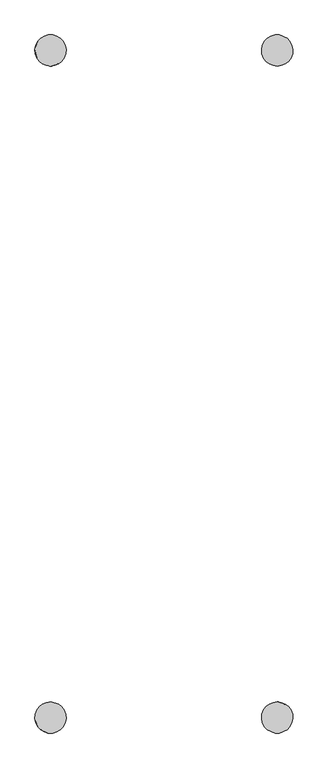
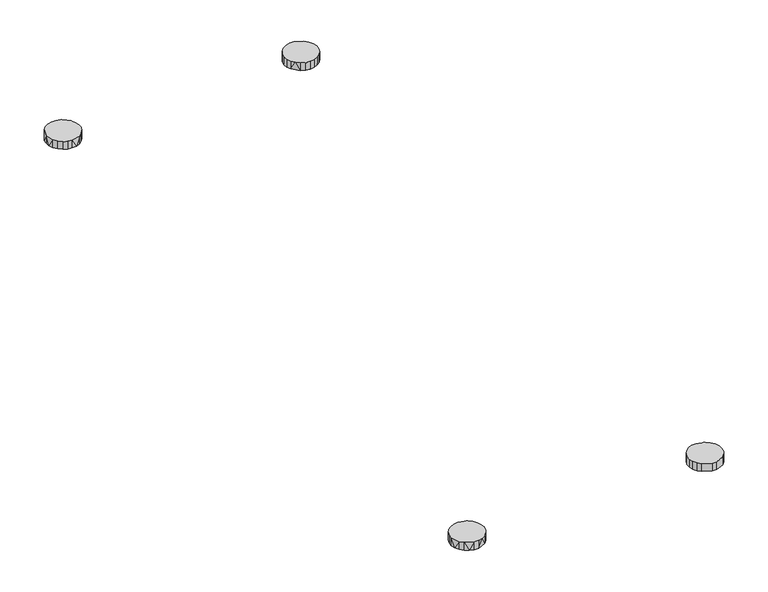
"""IFC4 building model written with IfcOpenShell, lengths in millimetres: furniture geometry."""

from ifc_helpers import new_model, si_unit, origin, place, context, project, spatial, triangles, source, transform, mapped, element, save


def furniture_6c303fa9(model_context):
    return source(origin(), model_context, "Body", "Tessellation", [
        triangles([(206.7022814, 530.2468131, 0.0), (161.5977126, 530.2468131, 0.0), (209.0187279, 536.7646929, 0.0), (159.281266, 536.7646929, 12.7000004), (209.0187279, 536.7646929, 12.7000004), (209.4907921, 543.6657978, 12.7000004), (200.1796236, 561.6355222, 12.7000004), (187.6086249, 567.095872, 12.7000004), (208.0834289, 550.4384222, 0.0), (159.281266, 536.7646929, 0.0), (204.9010287, 556.5801258, 0.0), (180.6913691, 567.095872, 0.0), (168.1203704, 561.6355222, 0.0), (177.297154, 517.4743732, 12.7000004), (177.297154, 517.4743732, 0.0), (184.1500061, 516.5324613, 12.7000004), (158.80922, 543.6657978, 0.0), (163.3989653, 556.5801258, 12.7000004), (160.216565, 550.4384222, 0.0), (160.216565, 550.4384222, 12.7000004), (187.6086249, 567.095872, 0.0), (174.0306201, 565.2296342, 12.7000004), (191.0028399, 517.4743732, 12.7000004), (184.1500061, 516.5324613, 0.0), (191.0028399, 517.4743732, 0.0), (161.5977126, 530.2468131, 12.7000004), (204.9010287, 556.5801258, 12.7000004), (170.9525558, 520.2302007, 0.0), (165.5867678, 524.5956319, 12.7000004), (202.7132262, 524.5956319, 12.7000004), (202.7132262, 524.5956319, 0.0), (206.7022814, 530.2468131, 12.7000004), (168.1203704, 561.6355222, 12.7000004), (200.1796236, 561.6355222, 0.0), (170.9525558, 520.2302007, 12.7000004), (197.3474381, 520.2302007, 0.0), (197.3474381, 520.2302007, 12.7000004), (158.80922, 543.6657978, 12.7000004), (208.0834289, 550.4384222, 12.7000004), (209.4907921, 543.6657978, 0.0), (180.6913691, 567.095872, 12.7000004), (-165.5867496, 524.5956319, 0.0), (-202.7132988, 524.5956319, 0.0), (-206.7022995, 530.2468131, 0.0), (-206.7022995, 530.2468131, 12.7000004), (-165.5867496, 524.5956319, 12.7000004), (-161.5976944, 530.2468131, 12.7000004), (-194.2694465, 565.2296342, 12.7000004), (-159.281266, 536.7646929, 12.7000004), (-187.6086612, 567.095872, 12.7000004), (-158.8092018, 543.6657978, 0.0), (-180.6913872, 567.095872, 0.0), (-174.0306019, 565.2296342, 0.0), (-209.4907921, 543.6657978, 12.7000004), (-204.901065, 556.5801258, 12.7000004), (-200.1796417, 561.6355222, 0.0), (-194.2694465, 565.2296342, 0.0), (-160.2165832, 550.4384222, 12.7000004), (-163.3989471, 556.5801258, 0.0), (-202.7132988, 524.5956319, 12.7000004), (-197.3474563, 520.2302007, 12.7000004), (-170.9525558, 520.2302007, 0.0), (-208.0834289, 550.4384222, 0.0), (-200.1796417, 561.6355222, 12.7000004), (-187.6086612, 567.095872, 0.0), (-180.6913872, 567.095872, 12.7000004), (-163.3989471, 556.5801258, 12.7000004), (-191.0028218, 517.4743732, 12.7000004), (-197.3474563, 520.2302007, 0.0), (-191.0028218, 517.4743732, 0.0), (-170.9525558, 520.2302007, 12.7000004), (-184.1500061, 516.5324613, 12.7000004), (-177.2972267, 517.4743732, 0.0), (-204.901065, 556.5801258, 0.0), (-174.0306019, 565.2296342, 12.7000004), (-209.0187279, 536.7646929, 0.0), (-168.1203522, 561.6355222, 0.0), (-168.1203522, 561.6355222, 12.7000004), (-161.5976944, 530.2468131, 0.0), (-184.1500061, 516.5324613, 0.0), (-158.8092018, 543.6657978, 12.7000004), (-209.4907921, 543.6657978, 0.0), (208.0834289, -550.4383859, 0.0), (204.9010287, -556.5802711, 0.0), (159.281266, -536.7647292, 0.0), (206.7022814, -530.2468858, 12.7000004), (165.5867678, -524.5957046, 12.7000004), (161.5977126, -530.2468858, 12.7000004), (187.6086249, -567.0959084, 12.7000004), (200.1796236, -561.6356675, 0.0), (200.1796236, -561.6356675, 12.7000004), (180.6913691, -567.0959084, 0.0), (168.1203704, -561.6356675, 0.0), (165.5867678, -524.5957046, 0.0), (202.7132262, -524.5957046, 0.0), (206.7022814, -530.2468858, 0.0), (159.281266, -536.7647292, 12.7000004), (168.1203704, -561.6356675, 12.7000004), (209.4907921, -543.6658341, 12.7000004), (208.0834289, -550.4383859, 12.7000004), (202.7132262, -524.5957046, 12.7000004), (170.9525558, -520.2302733, 0.0), (197.3474381, -520.2302733, 12.7000004), (191.0028399, -517.4744096, 0.0), (184.1500061, -516.5324249, 12.7000004), (160.216565, -550.4383859, 12.7000004), (160.216565, -550.4383859, 0.0), (163.3989653, -556.5802711, 12.7000004), (158.80922, -543.6658341, 0.0), (180.6913691, -567.0959084, 12.7000004), (187.6086249, -567.0959084, 0.0), (197.3474381, -520.2302733, 0.0), (177.297154, -517.4744096, 12.7000004), (177.297154, -517.4744096, 0.0), (170.9525558, -520.2302733, 12.7000004), (158.80922, -543.6658341, 12.7000004), (161.5977126, -530.2468858, 0.0), (209.0187279, -536.7647292, 0.0), (209.0187279, -536.7647292, 12.7000004), (209.4907921, -543.6658341, 0.0), (184.1500061, -516.5324249, 0.0), (163.3989653, -556.5802711, 0.0), (204.9010287, -556.5802711, 12.7000004), (-206.7022995, -530.2468858, 0.0), (-165.5867496, -524.5957046, 0.0), (-161.5976944, -530.2468858, 0.0), (-209.4907921, -543.6658341, 12.7000004), (-204.901065, -556.5802711, 12.7000004), (-159.281266, -536.7647292, 12.7000004), (-174.0306019, -565.2296342, 12.7000004), (-168.1203522, -561.6356675, 12.7000004), (-200.1796417, -561.6356675, 12.7000004), (-200.1796417, -561.6356675, 0.0), (-194.2694465, -565.2296342, 0.0), (-191.0028218, -517.4744096, 12.7000004), (-191.0028218, -517.4744096, 0.0), (-197.3474563, -520.2302733, 12.7000004), (-208.0834289, -550.4383859, 0.0), (-170.9525558, -520.2302733, 12.7000004), (-202.7132988, -524.5957046, 12.7000004), (-165.5867496, -524.5957046, 12.7000004), (-159.281266, -536.7647292, 0.0), (-168.1203522, -561.6356675, 0.0), (-184.1500061, -516.5324249, 0.0), (-209.4907921, -543.6658341, 0.0), (-160.2165832, -550.4383859, 12.7000004), (-160.2165832, -550.4383859, 0.0), (-158.8092018, -543.6658341, 12.7000004), (-163.3989471, -556.5802711, 0.0), (-206.7022995, -530.2468858, 12.7000004), (-202.7132988, -524.5957046, 0.0), (-209.0187279, -536.7647292, 12.7000004), (-161.5976944, -530.2468858, 12.7000004), (-180.6913872, -567.0959084, 0.0), (-187.6086612, -567.0959084, 12.7000004), (-197.3474563, -520.2302733, 0.0), (-170.9525558, -520.2302733, 0.0), (-158.8092018, -543.6658341, 0.0), (-184.1500061, -516.5324249, 12.7000004), (-163.3989471, -556.5802711, 12.7000004), (-204.901065, -556.5802711, 0.0), (-209.0187279, -536.7647292, 0.0), (-187.6086612, -567.0959084, 0.0), (-180.6913872, -567.0959084, 12.7000004)], [[1, 2, 3], [4, 5, 6], [7, 8, 4], [9, 10, 11], [12, 10, 13], [14, 15, 16], [4, 17, 10], [18, 19, 20], [7, 21, 8], [22, 12, 13], [5, 1, 3], [23, 24, 25], [26, 5, 4], [4, 10, 26], [5, 3, 6], [27, 9, 11], [1, 28, 2], [29, 2, 28], [30, 31, 32], [29, 30, 32], [22, 33, 4], [22, 13, 33], [27, 11, 7], [4, 27, 7], [34, 10, 21], [7, 34, 21], [18, 13, 19], [13, 10, 19], [35, 30, 29], [29, 28, 35], [30, 36, 31], [36, 28, 31], [36, 15, 28], [14, 28, 15], [23, 25, 37], [14, 23, 37], [20, 19, 38], [4, 18, 20], [39, 40, 9], [40, 10, 9], [8, 21, 41], [4, 8, 41], [4, 6, 39], [6, 40, 39], [21, 10, 12], [41, 21, 12], [19, 10, 17], [38, 19, 17], [24, 15, 25], [16, 15, 24], [16, 24, 23], [16, 23, 14], [35, 28, 14], [14, 37, 35], [37, 25, 36], [25, 15, 36], [32, 1, 5], [26, 32, 5], [11, 10, 34], [7, 11, 34], [6, 3, 40], [3, 10, 40], [37, 36, 30], [35, 37, 30], [32, 31, 1], [31, 28, 1], [39, 9, 27], [39, 27, 4], [3, 2, 10], [26, 10, 2], [38, 17, 4], [20, 38, 4], [4, 41, 22], [41, 12, 22], [26, 2, 29], [29, 32, 26], [33, 13, 18], [4, 33, 18], [42, 43, 44], [45, 46, 47], [48, 49, 50], [51, 52, 53], [54, 49, 55], [51, 56, 57], [58, 51, 59], [46, 42, 47], [60, 43, 61], [46, 62, 42], [60, 44, 43], [55, 63, 54], [64, 57, 56], [50, 65, 48], [66, 53, 52], [58, 59, 67], [62, 43, 42], [68, 69, 70], [61, 71, 60], [72, 73, 71], [63, 74, 51], [55, 74, 63], [66, 49, 75], [75, 53, 66], [45, 47, 54], [54, 76, 45], [64, 56, 55], [55, 49, 64], [51, 77, 59], [78, 59, 77], [79, 76, 51], [49, 79, 51], [73, 70, 69], [72, 80, 73], [49, 51, 81], [67, 49, 58], [61, 72, 71], [68, 70, 72], [54, 82, 76], [51, 76, 82], [67, 59, 78], [78, 49, 67], [57, 65, 51], [48, 65, 57], [61, 43, 69], [62, 69, 43], [45, 44, 60], [60, 46, 45], [75, 77, 53], [53, 77, 51], [71, 62, 46], [60, 71, 46], [42, 44, 79], [47, 42, 79], [51, 65, 52], [50, 52, 65], [66, 52, 50], [50, 49, 66], [75, 49, 78], [78, 77, 75], [61, 69, 68], [68, 72, 61], [55, 56, 74], [51, 74, 56], [80, 70, 73], [72, 70, 80], [73, 69, 62], [71, 73, 62], [54, 63, 82], [51, 82, 63], [58, 49, 81], [81, 51, 58], [48, 57, 64], [64, 49, 48], [47, 79, 49], [54, 47, 49], [79, 44, 76], [45, 76, 44], [83, 84, 85], [86, 87, 88], [89, 90, 91], [92, 93, 85], [94, 95, 96], [87, 94, 88], [91, 97, 89], [98, 93, 92], [99, 97, 100], [101, 96, 95], [87, 102, 94], [103, 104, 105], [106, 107, 108], [106, 109, 107], [100, 83, 99], [100, 84, 83], [86, 96, 101], [101, 87, 86], [110, 97, 98], [98, 92, 110], [90, 111, 85], [89, 111, 90], [102, 95, 94], [103, 112, 104], [113, 114, 115], [103, 113, 115], [97, 85, 116], [108, 97, 106], [117, 118, 85], [97, 117, 85], [119, 120, 118], [85, 118, 120], [114, 104, 112], [113, 121, 114], [85, 93, 122], [98, 122, 93], [91, 90, 123], [123, 97, 91], [119, 97, 99], [99, 120, 119], [123, 90, 84], [85, 84, 90], [108, 122, 98], [98, 97, 108], [85, 111, 92], [89, 92, 111], [110, 92, 89], [89, 97, 110], [103, 115, 101], [101, 95, 103], [107, 109, 85], [116, 85, 109], [117, 96, 118], [86, 118, 96], [88, 117, 97], [119, 88, 97], [103, 95, 112], [102, 112, 95], [108, 107, 122], [85, 122, 107], [86, 88, 119], [119, 118, 86], [115, 102, 87], [101, 115, 87], [94, 96, 117], [88, 94, 117], [123, 84, 100], [100, 97, 123], [106, 97, 116], [116, 109, 106], [99, 83, 120], [85, 120, 83], [105, 121, 113], [105, 113, 103], [121, 104, 114], [105, 104, 121], [114, 112, 102], [115, 114, 102], [124, 125, 126], [127, 128, 129], [130, 131, 129], [132, 133, 134], [135, 136, 137], [127, 138, 128], [139, 140, 141], [141, 126, 125], [133, 142, 134], [130, 143, 131], [141, 125, 139], [135, 144, 136], [127, 145, 138], [145, 142, 138], [146, 147, 148], [146, 149, 147], [150, 151, 124], [151, 125, 124], [150, 124, 152], [153, 150, 152], [130, 154, 143], [154, 142, 143], [132, 155, 129], [132, 134, 155], [156, 144, 157], [139, 157, 144], [153, 152, 129], [129, 142, 153], [129, 158, 142], [149, 142, 147], [139, 135, 137], [139, 144, 159], [131, 143, 160], [129, 131, 160], [161, 142, 133], [132, 161, 133], [128, 161, 132], [129, 128, 132], [160, 143, 149], [143, 142, 149], [140, 156, 151], [156, 157, 151], [127, 162, 145], [162, 142, 145], [137, 156, 140], [139, 137, 140], [163, 142, 154], [164, 163, 154], [155, 163, 164], [129, 155, 164], [152, 162, 127], [129, 152, 127], [139, 125, 157], [151, 157, 125], [153, 126, 141], [141, 150, 153], [148, 158, 129], [146, 148, 129], [162, 126, 142], [153, 142, 126], [140, 151, 150], [141, 140, 150], [152, 124, 162], [124, 126, 162], [128, 138, 161], [138, 142, 161], [129, 160, 146], [160, 149, 146], [134, 142, 163], [155, 134, 163], [129, 164, 130], [164, 154, 130], [137, 136, 156], [136, 144, 156], [159, 144, 135], [159, 135, 139], [147, 142, 158], [148, 147, 158]]),
    ])


if __name__ == "__main__":
    model = new_model("IFC4")
    model_context = context("Model", 3, world=origin())
    ifc_project = project(units=[si_unit("LENGTHUNIT", "METRE", prefix="MILLI")], contexts=[model_context])
    site = spatial("IfcSite", under=ifc_project)
    building = spatial("IfcBuilding", under=site)
    placement = place(None, origin())
    furniture_shape = furniture_6c303fa9(model_context)
    element("IfcFurniture", 1, at=placement, inside=building, context=model_context, shape_type="MappedRepresentation", body=[
        mapped(furniture_shape, transform((0.0, 0.0, 0.0), x_axis=(1.0, 0.0, 0.0), y_axis=(0.0, 1.0, 0.0), z_axis=(0.0, 0.0, 1.0))),
    ])
    save(model, "model.ifc")
